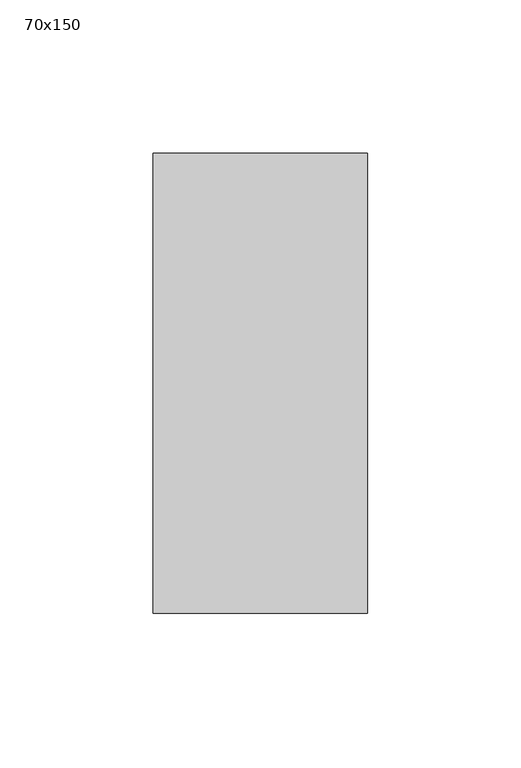
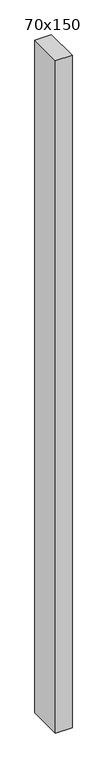
"""IFC4 building model written with IfcOpenShell, lengths in millimetres: member geometry, 70x150."""

from ifc_helpers import new_model, si_unit, frame, origin, place, context, project, spatial, polyline, outline, extrude, source, transform, mapped, element, save


def member_70x150_cdd4dcf9(model_context):
    return source(origin(), model_context, "Body", "SweptSolid", [
        extrude(outline(polyline([(35.0, 75.0), (35.0, -75.0), (-35.0, -75.0), (-35.0, 75.0), (35.0, 75.0)])), frame((0.0, 0.0, -3000.0), z_axis=(0.0, 0.0, 1.0), x_axis=(1.0, 0.0, 0.0)), (0.0, 0.0, 1.0), 3000.0),
    ])


if __name__ == "__main__":
    model = new_model("IFC4")
    model_context = context("Model", 3, world=origin())
    ifc_project = project(units=[si_unit("LENGTHUNIT", "METRE", prefix="MILLI")], contexts=[model_context])
    site = spatial("IfcSite", under=ifc_project)
    building = spatial("IfcBuilding", under=site)
    placement = place(None, origin())
    member_70x150_shape = member_70x150_cdd4dcf9(model_context)
    element("IfcMember", 1, ObjectType="70x150", at=placement, inside=building, context=model_context, shape_type="MappedRepresentation", body=[
        mapped(member_70x150_shape, transform((0.0, 0.0, 0.0), x_axis=(1.0, 0.0, 0.0), y_axis=(0.0, 1.0, 0.0), z_axis=(0.0, 0.0, 1.0))),
    ])
    save(model, "model.ifc")
